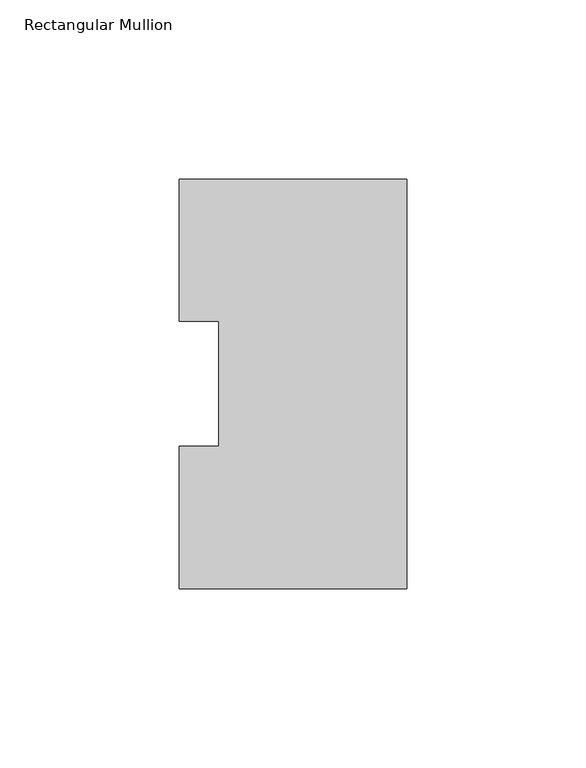
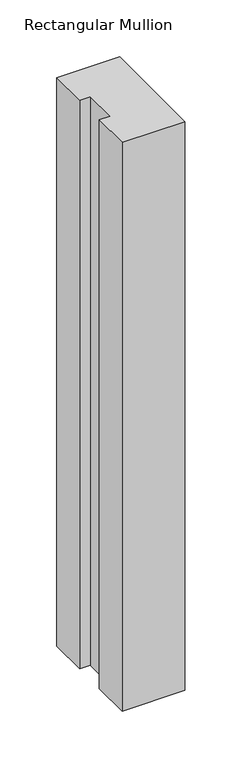
"""IFC4 building model written with IfcOpenShell, lengths in millimetres: member geometry, Rectangular Mullion."""

from ifc_helpers import new_model, si_unit, frame, origin, place, context, project, spatial, polyline, outline, extrude, source, transform, mapped, element, save


def rectangular_mullion_a237f2db(model_context):
    return source(origin(), model_context, "Body", "SweptSolid", [
        extrude(outline(polyline([(-63.5, 114.271425), (0.0, 114.271425), (0.0, -0.028575), (-63.5, -0.028575), (-63.5, 39.646225), (-52.3875, 39.646225), (-52.3875, 74.596625), (-63.5, 74.596625), (-63.5, 114.271425)])), frame((0.0, 0.0, -609.6), z_axis=(0.0, 0.0, 1.0), x_axis=(1.0, 0.0, 0.0)), (0.0, 0.0, 1.0), 609.6),
    ])


if __name__ == "__main__":
    model = new_model("IFC4")
    model_context = context("Model", 3, world=origin())
    ifc_project = project(units=[si_unit("LENGTHUNIT", "METRE", prefix="MILLI")], contexts=[model_context])
    site = spatial("IfcSite", under=ifc_project)
    building = spatial("IfcBuilding", under=site)
    placement = place(None, origin())
    rectangular_mullion_shape = rectangular_mullion_a237f2db(model_context)
    element("IfcMember", 1, ObjectType="Rectangular Mullion", at=placement, inside=building, context=model_context, shape_type="MappedRepresentation", body=[
        mapped(rectangular_mullion_shape, transform((0.0, 0.0, 0.0), x_axis=(1.0, 0.0, 0.0), y_axis=(0.0, 1.0, 0.0), z_axis=(0.0, 0.0, 1.0))),
    ])
    save(model, "model.ifc")
